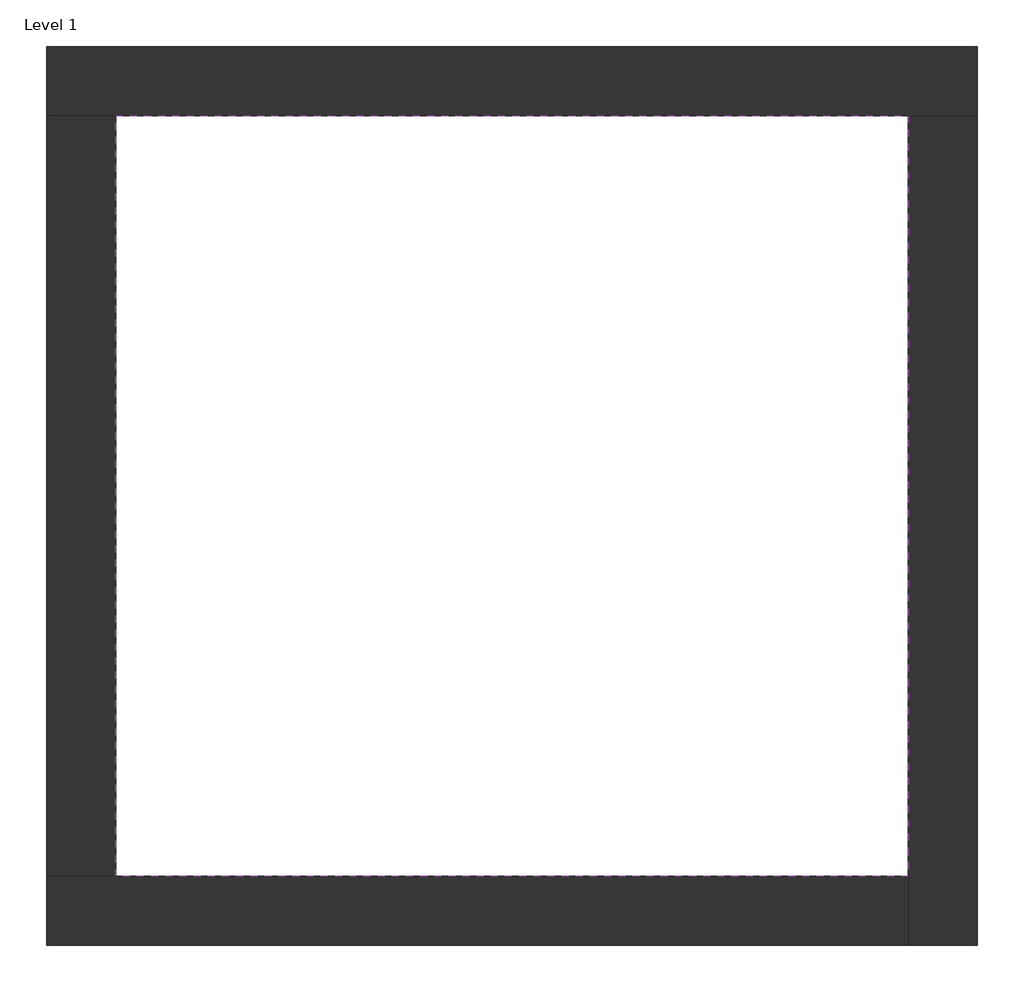
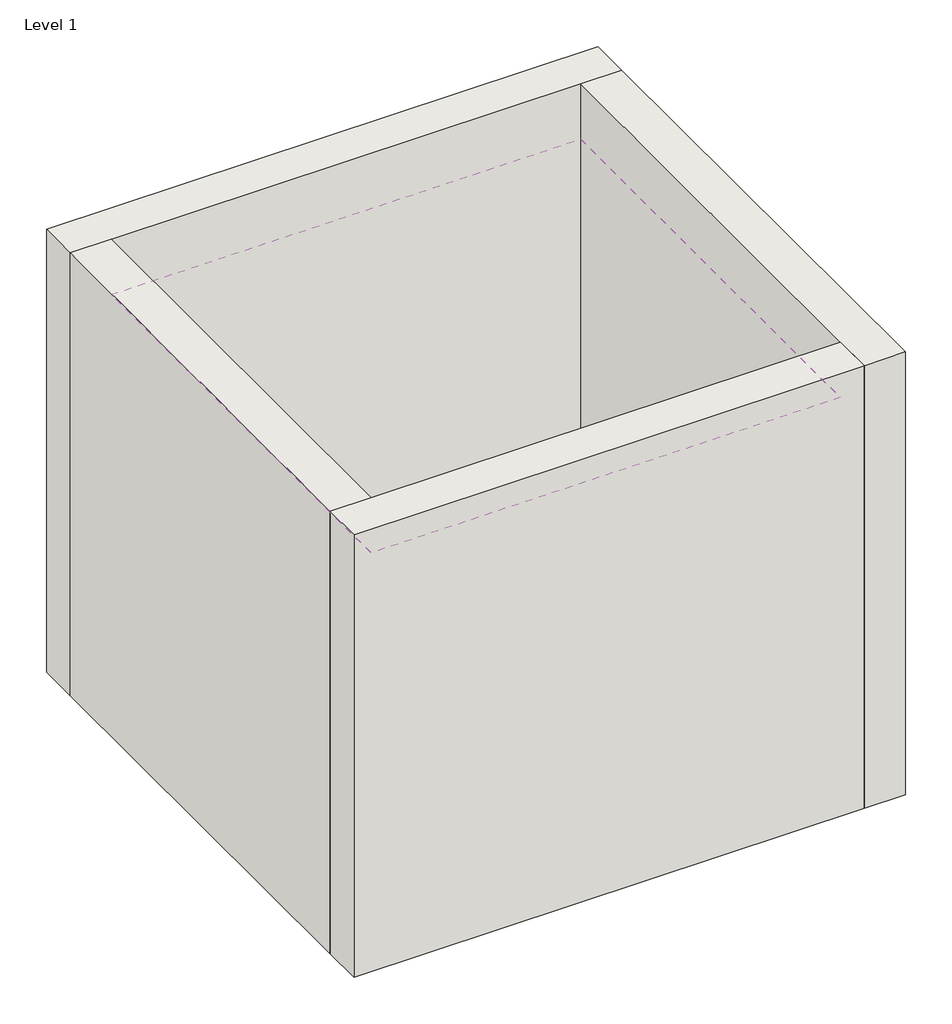
# One storey: 4 walls, 1 covering.
"""IFC4 building model written with IfcOpenShell, lengths in millimetres."""

from ifc_helpers import new_model, si_unit, frame, origin, origin_with_axes, place, context, project, spatial, polyline, outline, extrude, faceted_brep, element, save

model = new_model("IFC4")

# Units and contexts
model_context = context("Model", 3, world=origin())
ifc_project = project(units=[si_unit("LENGTHUNIT", "METRE", prefix="MILLI")], contexts=[model_context])

# Site, building, storey
site = spatial("IfcSite", under=ifc_project)
building = spatial("IfcBuilding", under=site)
storey = spatial("IfcBuildingStorey", under=building, Name="Level 1", Elevation=0.0)

# Covering
placement = place(None, origin())
element("IfcCovering", 1, at=placement, inside=storey, context=model_context, shape_type="SweptSolid", body=[
    extrude(outline(polyline([(-14894.8573003, 6921.2750283), (-10882.3573003, 6921.2750283), (-10882.3573003, 3071.2750283), (-14894.8573003, 3071.2750283), (-14894.8573003, 6921.2750283)])), frame((0.0, 0.0, 3500.0), z_axis=(0.0, 0.0, 1.0), x_axis=(1.0, 0.0, 0.0)), (0.0, 0.0, 1.0), 65.0),
])

# Walls
element("IfcWall", 2, ObjectType="Exterior - Brick on Mtl. Stud", at=placement, inside=storey, context=model_context, shape_type="Brep", body=[
    faceted_brep([(-15244.8573003, 6921.2750283, 0.0), (-14894.8573003, 6921.2750283, 0.0), (-10882.3573003, 6921.2750283, 0.0), (-10532.3573003, 6921.2750283, 0.0), (-10532.3573003, 6921.2750283, 4000.0), (-10882.3573003, 6921.2750283, 4000.0), (-14894.8573003, 6921.2750283, 4000.0), (-15244.8573003, 6921.2750283, 4000.0), (-15244.8573003, 7271.2750283, 0.0), (-15244.8573003, 7271.2750283, 4000.0), (-10532.3573003, 7271.2750283, 4000.0), (-10532.3573003, 7271.2750283, 0.0)], [[[0, 1, 2, 3, 4, 5, 6, 7]], [[8, 9, 10, 11]], [[3, 2, 1, 0, 8, 11]], [[7, 6, 5, 4, 10, 9]], [[0, 7, 9, 8]], [[4, 3, 11, 10]]]),
])
element("IfcWall", 3, ObjectType="Exterior - Brick on Mtl. Stud", at=placement, inside=storey, context=model_context, shape_type="Brep", body=[
    faceted_brep([(-10882.3573003, 6921.2750283, 0.0), (-10882.3573003, 3071.2750283, 0.0), (-10882.3573003, 2721.2750283, 0.0), (-10882.3573003, 2721.2750283, 4000.0), (-10882.3573003, 3071.2750283, 4000.0), (-10882.3573003, 6921.2750283, 4000.0), (-10532.3573003, 6921.2750283, 0.0), (-10532.3573003, 6921.2750283, 4000.0), (-10532.3573003, 2721.2750283, 4000.0), (-10532.3573003, 2721.2750283, 0.0)], [[[0, 1, 2, 3, 4, 5]], [[6, 7, 8, 9]], [[2, 1, 0, 6, 9]], [[5, 4, 3, 8, 7]], [[3, 2, 9, 8]], [[0, 5, 7, 6]]]),
])
element("IfcWall", 4, ObjectType="Exterior - Brick on Mtl. Stud", at=placement, inside=storey, context=model_context, shape_type="Brep", body=[
    faceted_brep([(-10882.3573003, 3071.2750283, 0.0), (-14894.8573003, 3071.2750283, 0.0), (-15244.8573003, 3071.2750283, 0.0), (-15244.8573003, 3071.2750283, 4000.0), (-14894.8573003, 3071.2750283, 4000.0), (-10882.3573003, 3071.2750283, 4000.0), (-10882.3573003, 2721.2750283, 0.0), (-10882.3573003, 2721.2750283, 4000.0), (-15244.8573003, 2721.2750283, 4000.0), (-15244.8573003, 2721.2750283, 0.0)], [[[0, 1, 2, 3, 4, 5]], [[6, 7, 8, 9]], [[2, 1, 0, 6, 9]], [[5, 4, 3, 8, 7]], [[3, 2, 9, 8]], [[0, 5, 7, 6]]]),
])
element("IfcWall", 5, ObjectType="Exterior - Brick on Mtl. Stud", at=placement, inside=storey, context=model_context, shape_type="SweptSolid", body=[
    extrude(outline(polyline([(-14894.8573003, 6921.2750283), (-14894.8573003, 3071.2750283), (-15244.8573003, 3071.2750283), (-15244.8573003, 6921.2750283), (-14894.8573003, 6921.2750283)])), origin_with_axes(), (0.0, 0.0, 1.0), 4000.0),
])

save(model, "model.ifc")
